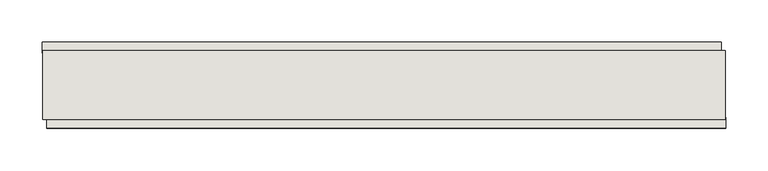
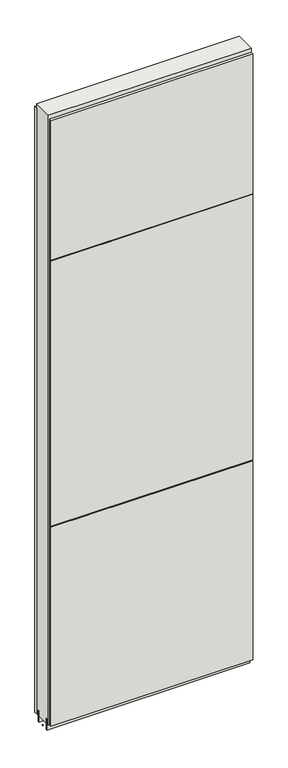
"""IFC4 building model written with IfcOpenShell, lengths in millimetres: wall geometry."""

from ifc_helpers import new_model, si_unit, frame, origin, place, context, project, spatial, polyline, outline, extrude, source, transform, mapped, element, save


def wall_ca3f29c0(model_context):
    return source(origin(), model_context, "Body", "SweptSolid", [
        extrude(outline(polyline([(40511.7275108, -47722.5245954), (40509.1875108, -47722.5245954), (40509.1875108, -47719.9845954), (40511.7275108, -47719.9845954), (40511.7275108, -47722.5245954)])), frame((0.0, 0.0, 4419.6), z_axis=(0.0, 0.0, 1.0), x_axis=(1.0, 0.0, 0.0)), (0.0, 0.0, 1.0), 2.54),
        extrude(outline(polyline([(40508.7207477, -47670.4545954), (41310.5393371, -47670.4545954), (41310.5393371, -47683.1545954), (40508.7207477, -47683.1545954), (40508.7207477, -47670.4545954)])), frame((0.0, 0.0, 4445.0), z_axis=(0.0, 0.0, 1.0), x_axis=(1.0, 0.0, 0.0)), (0.0, 0.0, 1.0), 2545.0498756),
        extrude(outline(polyline([(41315.4692739, -47772.0545954), (40513.6506845, -47772.0545954), (40513.6506845, -47759.3545954), (41315.4692739, -47759.3545954), (41315.4692739, -47772.0545954)])), frame((0.0, 0.0, 6402.8000722), z_axis=(0.0, 0.0, 1.0), x_axis=(1.0, 0.0, 0.0)), (0.0, 0.0, 1.0), 587.2498034),
        extrude(outline(polyline([(41315.4692739, -47772.0545954), (40513.6506845, -47772.0545954), (40513.6506845, -47759.3545954), (41315.4692739, -47759.3545954), (41315.4692739, -47772.0545954)])), frame((0.0, 0.0, 5285.2000722), z_axis=(0.0, 0.0, 1.0), x_axis=(1.0, 0.0, 0.0)), (0.0, 0.0, 1.0), 1113.5999572),
        extrude(outline(polyline([(41315.4692739, -47772.0545954), (40513.6506845, -47772.0545954), (40513.6506845, -47759.3545954), (41315.4692739, -47759.3545954), (41315.4692739, -47772.0545954)])), frame((0.0, 0.0, 4445.0), z_axis=(0.0, 0.0, 1.0), x_axis=(1.0, 0.0, 0.0)), (0.0, 0.0, 1.0), 836.200004),
        extrude(outline(polyline([(41315.0037554, -47696.1708508), (40509.1893904, -47696.1708508), (40509.1893904, -47691.0920954), (41315.0037554, -47691.0920954), (41315.0037554, -47696.1708508)])), frame((0.0, 0.0, 4418.6602), z_axis=(0.0, 0.0, 1.0), x_axis=(1.0, 0.0, 0.0)), (0.0, 0.0, 1.0), 47.625),
        extrude(outline(polyline([(41315.0037554, -47696.1708508), (40509.1893904, -47696.1708508), (40509.1893904, -47691.0920954), (41315.0037554, -47691.0920954), (41315.0037554, -47696.1708508)])), frame((0.0, 0.0, 4418.6602), z_axis=(0.0, 0.0, 1.0), x_axis=(1.0, 0.0, 0.0)), (0.0, 0.0, 1.0), 47.625),
        extrude(outline(polyline([(40509.1893904, -47746.3352412), (41315.0037554, -47746.3352412), (41315.0037554, -47751.4170954), (40509.1893904, -47751.4170954), (40509.1893904, -47746.3352412)])), frame((0.0, 0.0, 4418.6602), z_axis=(0.0, 0.0, 1.0), x_axis=(1.0, 0.0, 0.0)), (0.0, 0.0, 1.0), 47.625),
        extrude(outline(polyline([(40509.1893904, -47746.3352412), (41315.0037554, -47746.3352412), (41315.0037554, -47751.4170954), (40509.1893904, -47751.4170954), (40509.1893904, -47746.3352412)])), frame((0.0, 0.0, 4418.6602), z_axis=(0.0, 0.0, 1.0), x_axis=(1.0, 0.0, 0.0)), (0.0, 0.0, 1.0), 47.625),
        extrude(outline(polyline([(41315.0037554, -47680.6245014), (41315.0037554, -47761.906381), (40509.1893904, -47761.906381), (40509.1893904, -47680.6245014), (41315.0037554, -47680.6245014)])), frame((0.0, 0.0, 4445.0), z_axis=(0.0, 0.0, 1.0), x_axis=(1.0, 0.0, 0.0)), (0.0, 0.0, 1.0), 2562.4536762),
    ])


if __name__ == "__main__":
    model = new_model("IFC4")
    model_context = context("Model", 3, world=origin())
    ifc_project = project(units=[si_unit("LENGTHUNIT", "METRE", prefix="MILLI")], contexts=[model_context])
    site = spatial("IfcSite", under=ifc_project)
    building = spatial("IfcBuilding", under=site)
    placement = place(None, origin())
    wall_shape = wall_ca3f29c0(model_context)
    element("IfcWall", 1, at=placement, inside=building, context=model_context, shape_type="MappedRepresentation", body=[
        mapped(wall_shape, transform((0.0, 0.0, 0.0), x_axis=(1.0, 0.0, 0.0), y_axis=(0.0, 1.0, 0.0), z_axis=(0.0, 0.0, 1.0))),
    ])
    save(model, "model.ifc")
